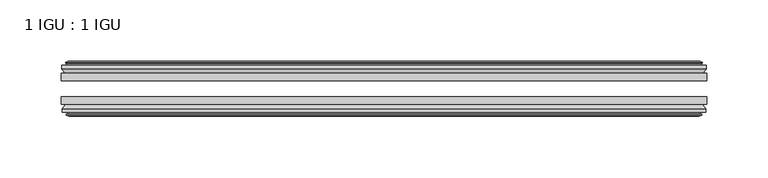
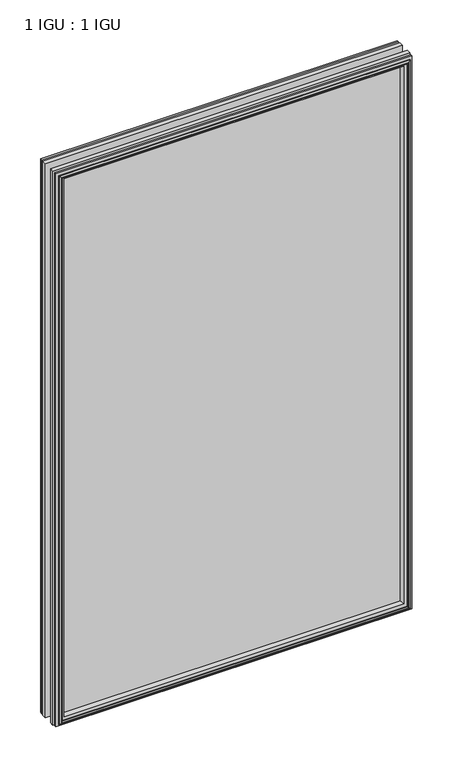
"""IFC4 building model written with IfcOpenShell, lengths in millimetres: plate geometry, 1 IGU : 1 IGU."""

from ifc_helpers import new_model, si_unit, frame, origin, place, context, project, spatial, polyline, outline, extrude, faceted_brep, source, transform, mapped, element, save


def plate_1_igu_1_igu_c61fe1ba(model_context):
    return source(origin(), model_context, "Body", "SolidModel", [
        extrude(outline(polyline([(263.509125, -25.8960937), (263.509125, -32.2460938), (-263.509125, -32.2460938), (-263.509125, -25.8960937), (263.509125, -25.8960937)])), frame((0.0, 0.0, -12.7), z_axis=(0.0, 0.0, 1.0), x_axis=(1.0, 0.0, 0.0)), (0.0, 0.0, 1.0), 863.6),
        extrude(outline(polyline([(-263.509125, -51.2960938), (-263.509125, -45.2686737), (263.509125, -45.2686737), (263.509125, -51.2960938), (-263.509125, -51.2960938)])), frame((0.0, 0.0, -12.7), z_axis=(0.0, 0.0, 1.0), x_axis=(1.0, 0.0, 0.0)), (0.0, 0.0, 1.0), 863.6),
        faceted_brep([(-257.921125, -60.0262907, 845.312), (-258.302125, -57.6460937, 845.693), (-258.302125, -57.6460937, -7.493), (-257.921125, -60.0262907, -7.112), (-259.3366541, -59.5663575, 846.7275291), (-259.3366541, -59.5663575, -8.5275291), (-259.3366541, -60.3675717, 846.7275291), (-259.3366541, -60.3675717, -8.5275291), (-257.159125, -61.0750937, 844.55), (-257.159125, -61.0750937, -6.35), (-254.9815959, -60.3675717, 842.3724709), (-254.9815959, -60.3675717, -4.1724709), (-254.9815959, -59.5663575, 842.3724709), (-254.9815959, -59.5663575, -4.1724709), (-256.397125, -60.0262907, 843.788), (-256.397125, -60.0262907, -5.588), (-256.016125, -57.6460937, 843.407), (-256.016125, -57.6460937, -5.207), (-249.0914069, -51.2960937, 836.4822819), (-250.809125, -57.6460937, 838.2), (-250.809125, -57.6460937, 0.0), (-249.0914069, -51.2960937, 1.7177181), (-262.747125, -54.6996937, 850.138), (-259.9127828, -51.2960937, 847.3036578), (-259.9127828, -51.2960937, -9.1036578), (-262.747125, -54.6996937, -11.938), (-262.747125, -57.6460937, 850.138), (-262.747125, -57.6460937, -11.938), (258.302125, -57.6460938, -7.493), (257.921125, -60.0262907, -7.112), (259.3366541, -59.5663575, -8.5275291), (259.3366541, -60.3675717, -8.5275291), (257.159125, -61.0750937, -6.35), (254.9815959, -60.3675717, -4.1724709), (254.9815959, -59.5663575, -4.1724709), (256.397125, -60.0262907, -5.588), (256.016125, -57.6460937, -5.207), (250.809125, -57.6460937, 0.0), (249.0914069, -51.2960937, 1.7177181), (259.9127828, -51.2960937, -9.1036578), (262.747125, -54.6996937, -11.938), (262.747125, -57.6460938, -11.938), (258.302125, -57.6460938, 845.693), (257.921125, -60.0262907, 845.312), (259.3366541, -59.5663575, 846.7275291), (259.3366541, -60.3675717, 846.7275291), (257.159125, -61.0750937, 844.55), (254.9815959, -60.3675717, 842.3724709), (254.9815959, -59.5663575, 842.3724709), (256.397125, -60.0262907, 843.788), (256.016125, -57.6460937, 843.407), (250.809125, -57.6460937, 838.2), (249.0914069, -51.2960937, 836.4822819), (259.9127828, -51.2960937, 847.3036578), (262.747125, -54.6996937, 850.138), (262.747125, -57.6460938, 850.138)], [[[0, 1, 2, 3]], [[4, 0, 3, 5]], [[6, 4, 5, 7]], [[8, 6, 7, 9]], [[10, 8, 9, 11]], [[12, 10, 11, 13]], [[14, 12, 13, 15]], [[16, 14, 15, 17]], [[18, 19, 20, 21]], [[22, 23, 24, 25]], [[26, 22, 25, 27]], [[3, 2, 28, 29]], [[5, 3, 29, 30]], [[7, 5, 30, 31]], [[9, 7, 31, 32]], [[11, 9, 32, 33]], [[13, 11, 33, 34]], [[15, 13, 34, 35]], [[17, 15, 35, 36]], [[21, 20, 37, 38]], [[25, 24, 39, 40]], [[27, 25, 40, 41]], [[29, 28, 42, 43]], [[30, 29, 43, 44]], [[31, 30, 44, 45]], [[32, 31, 45, 46]], [[33, 32, 46, 47]], [[34, 33, 47, 48]], [[35, 34, 48, 49]], [[36, 35, 49, 50]], [[38, 37, 51, 52]], [[40, 39, 53, 54]], [[41, 40, 54, 55]], [[27, 41, 55, 26], [1, 42, 28, 2]], [[43, 42, 1, 0]], [[44, 43, 0, 4]], [[45, 44, 4, 6]], [[46, 45, 6, 8]], [[47, 46, 8, 10]], [[48, 47, 10, 12]], [[49, 48, 12, 14]], [[50, 49, 14, 16]], [[17, 36, 50, 16], [19, 51, 37, 20]], [[52, 51, 19, 18]], [[23, 53, 39, 24], [21, 38, 52, 18]], [[54, 53, 23, 22]], [[55, 54, 22, 26]]]),
        faceted_brep([(-260.4334828, -25.8960937, 847.8243578), (-263.267825, -22.4924937, 850.6587), (-263.267825, -22.4924937, -12.4587), (-260.4334828, -25.8960937, -9.6243578), (-251.329825, -19.5460937, 838.7207), (-249.6121069, -25.8960937, 837.0029819), (-249.6121069, -25.8960937, 1.1970181), (-251.329825, -19.5460937, -0.5207), (-256.917825, -17.1658968, 844.3087), (-256.536825, -19.5460937, 843.9277), (-256.536825, -19.5460937, -5.7277), (-256.917825, -17.1658968, -6.1087), (-255.5022959, -17.62583, 842.8931709), (-255.5022959, -17.62583, -4.6931709), (-255.5022959, -16.8246158, 842.8931709), (-255.5022959, -16.8246158, -4.6931709), (-257.679825, -16.1170937, 845.0707), (-257.679825, -16.1170937, -6.8707), (-259.8573541, -16.8246158, 847.2482291), (-259.8573541, -16.8246158, -9.0482291), (-259.8573541, -17.62583, 847.2482291), (-259.8573541, -17.62583, -9.0482291), (-258.441825, -17.1658968, 845.8327), (-258.441825, -17.1658968, -7.6327), (-258.822825, -19.5460937, 846.2137), (-258.822825, -19.5460937, -8.0137), (-263.267825, -19.5460937, 850.6587), (-263.267825, -19.5460937, -12.4587), (263.267825, -22.4924937, -12.4587), (260.4334828, -25.8960937, -9.6243578), (249.6121069, -25.8960937, 1.1970181), (251.329825, -19.5460937, -0.5207), (256.536825, -19.5460937, -5.7277), (256.917825, -17.1658968, -6.1087), (255.5022959, -17.62583, -4.6931709), (255.5022959, -16.8246158, -4.6931709), (257.679825, -16.1170937, -6.8707), (259.8573541, -16.8246158, -9.0482291), (259.8573541, -17.62583, -9.0482291), (258.441825, -17.1658968, -7.6327), (258.822825, -19.5460937, -8.0137), (263.267825, -19.5460937, -12.4587), (263.267825, -22.4924937, 850.6587), (260.4334828, -25.8960937, 847.8243578), (249.6121069, -25.8960937, 837.0029819), (251.329825, -19.5460937, 838.7207), (256.536825, -19.5460937, 843.9277), (256.917825, -17.1658968, 844.3087), (255.5022959, -17.62583, 842.8931709), (255.5022959, -16.8246158, 842.8931709), (257.679825, -16.1170937, 845.0707), (259.8573541, -16.8246158, 847.2482291), (259.8573541, -17.62583, 847.2482291), (258.441825, -17.1658968, 845.8327), (258.822825, -19.5460937, 846.2137), (263.267825, -19.5460937, 850.6587)], [[[0, 1, 2, 3]], [[4, 5, 6, 7]], [[8, 9, 10, 11]], [[12, 8, 11, 13]], [[14, 12, 13, 15]], [[16, 14, 15, 17]], [[18, 16, 17, 19]], [[20, 18, 19, 21]], [[22, 20, 21, 23]], [[24, 22, 23, 25]], [[1, 26, 27, 2]], [[3, 2, 28, 29]], [[7, 6, 30, 31]], [[11, 10, 32, 33]], [[13, 11, 33, 34]], [[15, 13, 34, 35]], [[17, 15, 35, 36]], [[19, 17, 36, 37]], [[21, 19, 37, 38]], [[23, 21, 38, 39]], [[25, 23, 39, 40]], [[2, 27, 41, 28]], [[29, 28, 42, 43]], [[31, 30, 44, 45]], [[33, 32, 46, 47]], [[34, 33, 47, 48]], [[35, 34, 48, 49]], [[36, 35, 49, 50]], [[37, 36, 50, 51]], [[38, 37, 51, 52]], [[39, 38, 52, 53]], [[40, 39, 53, 54]], [[28, 41, 55, 42]], [[43, 42, 1, 0]], [[3, 29, 43, 0], [5, 44, 30, 6]], [[45, 44, 5, 4]], [[9, 46, 32, 10], [7, 31, 45, 4]], [[47, 46, 9, 8]], [[48, 47, 8, 12]], [[49, 48, 12, 14]], [[50, 49, 14, 16]], [[51, 50, 16, 18]], [[52, 51, 18, 20]], [[53, 52, 20, 22]], [[54, 53, 22, 24]], [[26, 55, 41, 27], [25, 40, 54, 24]], [[42, 55, 26, 1]]]),
    ])


if __name__ == "__main__":
    model = new_model("IFC4")
    model_context = context("Model", 3, world=origin())
    ifc_project = project(units=[si_unit("LENGTHUNIT", "METRE", prefix="MILLI")], contexts=[model_context])
    site = spatial("IfcSite", under=ifc_project)
    building = spatial("IfcBuilding", under=site)
    placement = place(None, origin())
    plate_1_igu_1_igu_shape = plate_1_igu_1_igu_c61fe1ba(model_context)
    element("IfcPlate", 1, ObjectType="1 IGU : 1 IGU", at=placement, inside=building, context=model_context, shape_type="MappedRepresentation", body=[
        mapped(plate_1_igu_1_igu_shape, transform((0.0, 0.0, 0.0), x_axis=(1.0, 0.0, 0.0), y_axis=(0.0, 1.0, 0.0), z_axis=(0.0, 0.0, 1.0))),
    ])
    save(model, "model.ifc")
